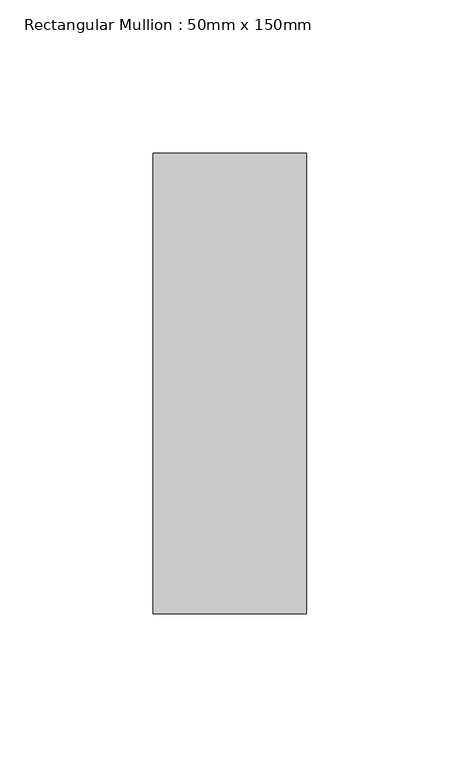
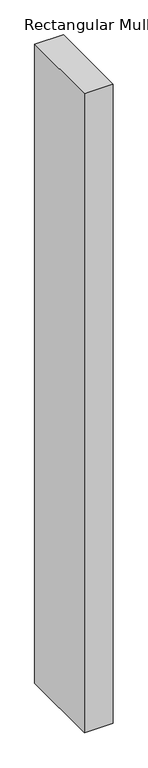
"""IFC4 building model written with IfcOpenShell, lengths in millimetres: member geometry, Rectangular Mullion : 50mm x 150mm."""

from ifc_helpers import new_model, si_unit, frame, origin, place, context, project, spatial, polyline, outline, extrude, source, transform, mapped, element, save


def rectangular_mullion_50mm_x_150mm_3a321350(model_context):
    return source(origin(), model_context, "Body", "SweptSolid", [
        extrude(outline(polyline([(0.0, 75.0), (0.0, -75.0), (-50.0, -75.0), (-50.0, 75.0), (0.0, 75.0)])), frame((0.0, 0.0, -1175.0), z_axis=(0.0, 0.0, 1.0), x_axis=(1.0, 0.0, 0.0)), (0.0, 0.0, 1.0), 1175.0),
    ])


if __name__ == "__main__":
    model = new_model("IFC4")
    model_context = context("Model", 3, world=origin())
    ifc_project = project(units=[si_unit("LENGTHUNIT", "METRE", prefix="MILLI")], contexts=[model_context])
    site = spatial("IfcSite", under=ifc_project)
    building = spatial("IfcBuilding", under=site)
    placement = place(None, origin())
    rectangular_mullion_50mm_x_150mm_shape = rectangular_mullion_50mm_x_150mm_3a321350(model_context)
    element("IfcMember", 1, ObjectType="Rectangular Mullion : 50mm x 150mm", at=placement, inside=building, context=model_context, shape_type="MappedRepresentation", body=[
        mapped(rectangular_mullion_50mm_x_150mm_shape, transform((0.0, 0.0, 0.0), x_axis=(1.0, 0.0, 0.0), y_axis=(0.0, 1.0, 0.0), z_axis=(0.0, 0.0, 1.0))),
    ])
    save(model, "model.ifc")
